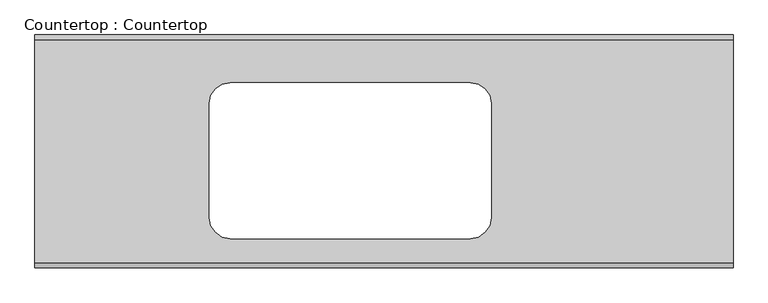
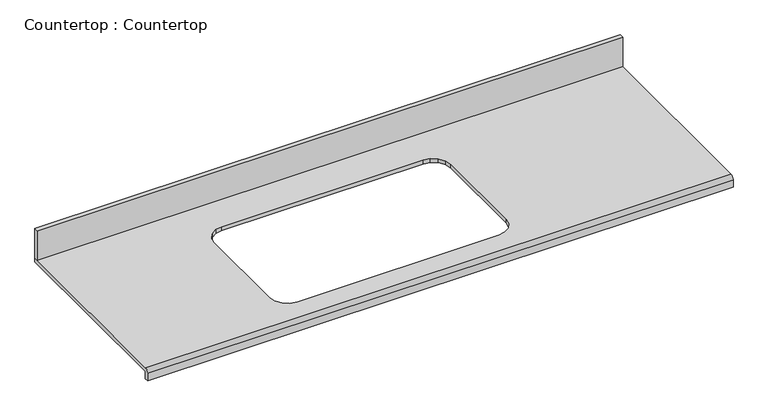
"""IFC4 building model written with IfcOpenShell, lengths in millimetres: proxy geometry, Countertop : Countertop."""

from ifc_helpers import new_model, si_unit, frame, origin, place, context, project, spatial, polyline, circle_curve, outline, extrude, source, transform, mapped, element, save
from ifc_brep_helpers import plane_surface, cylinder_surface, advanced_brep


def countertop_countertop_0f3eb7a4(model_context):
    return source(origin(), model_context, "Body", "SolidModel", [
        extrude(outline(polyline([(1905.1544083, 0.0), (1905.1544083, -12.7), (0.0, -12.7), (0.0, 0.0), (1905.1544083, 0.0)])), frame((0.0, 0.0, 863.6), z_axis=(0.0, 0.0, 1.0), x_axis=(1.0, 0.0, 0.0)), (0.0, 0.0, 1.0), 101.6),
        advanced_brep(
        [(0.0, -622.3, 863.6), (0.0, 0.0, 863.6), (0.0, 0.0, 850.9), (0.0, -622.3, 850.9), (0.0, -622.3, 825.5), (0.0, -635.0, 825.5), (0.0, -635.0, 850.9), (1905.1544083, -622.3, 863.6), (1905.1544083, -635.0, 850.9), (1905.1544083, -635.0, 825.5), (1905.1544083, -622.3, 825.5), (1905.1544083, -622.3, 850.9), (1905.1544083, 0.0, 850.9), (1905.1544083, 0.0, 863.6), (492.8013328, -146.7254885, 863.6), (511.382489, -134.3099484, 863.6), (532.6750385, -130.0745959, 863.6), (1188.2298812, -130.0745959, 863.6), (1209.5223774, -134.3099489, 863.6), (1228.1035645, -146.7254905, 863.6), (1240.5190567, -165.3066034, 863.6), (1244.7544083, -186.5991761, 863.6), (1244.7544083, -499.2540165, 863.6), (1240.5190572, -520.5465591, 863.6), (1228.1035664, -539.1277271, 863.6), (1209.5223739, -551.5432437, 863.6), (1188.2298812, -555.7785959, 863.6), (532.6750385, -555.7785959, 863.6), (511.3824925, -551.5432441, 863.6), (492.8013308, -539.127729, 863.6), (480.3857839, -520.5465625, 863.6), (476.1504591, -499.2540124, 863.6), (476.1504591, -186.5991802, 863.6), (480.3857843, -165.3066, 863.6), (511.382489, -134.3099484, 850.9), (492.8013328, -146.7254885, 850.9), (480.3857843, -165.3066, 850.9), (476.1504591, -186.5991802, 850.9), (476.1504591, -499.2540124, 850.9), (480.3857839, -520.5465625, 850.9), (492.8013308, -539.127729, 850.9), (511.3824925, -551.5432441, 850.9), (532.6750385, -555.7785959, 850.9), (1188.2298812, -555.7785959, 850.9), (1209.5223739, -551.5432437, 850.9), (1228.1035664, -539.1277271, 850.9), (1240.5190572, -520.5465591, 850.9), (1244.7544083, -499.2540165, 850.9), (1244.7544083, -186.5991761, 850.9), (1240.5190567, -165.3066034, 850.9), (1228.1035645, -146.7254905, 850.9), (1209.5223774, -134.3099489, 850.9), (1188.2298812, -130.0745959, 850.9), (532.6750385, -130.0745959, 850.9)],
        [
            (0, 1),
            (1, 2),
            (2, 3),
            (3, 4),
            (4, 5),
            (5, 6),
            (6, 0, circle_curve(frame((0.0, -622.3, 850.9), z_axis=(-1.0, 0.0, 0.0), x_axis=(0.0, 1.0, 0.0)), 12.7)),
            (7, 8, circle_curve(frame((1905.1544083, -622.3, 850.9), z_axis=(1.0, 0.0, 0.0), x_axis=(0.0, 1.0, 0.0)), 12.7)),
            (8, 9),
            (9, 10),
            (10, 11),
            (11, 12),
            (12, 13),
            (13, 7),
            (0, 7),
            (13, 1),
            (14, 15),
            (15, 16),
            (16, 17),
            (17, 18),
            (18, 19),
            (19, 20),
            (20, 21),
            (21, 22),
            (22, 23),
            (23, 24),
            (24, 25),
            (25, 26),
            (26, 27),
            (27, 28),
            (28, 29),
            (29, 30),
            (30, 31),
            (31, 32),
            (32, 33),
            (33, 14),
            (12, 2),
            (11, 3),
            (34, 35),
            (35, 36),
            (36, 37),
            (37, 38),
            (38, 39),
            (39, 40),
            (40, 41),
            (41, 42),
            (42, 43),
            (43, 44),
            (44, 45),
            (45, 46),
            (46, 47),
            (47, 48),
            (48, 49),
            (49, 50),
            (50, 51),
            (51, 52),
            (52, 53),
            (53, 34),
            (10, 4),
            (9, 5),
            (8, 6),
            (34, 15),
            (14, 35),
            (33, 36),
            (32, 37),
            (31, 38),
            (30, 39),
            (29, 40),
            (28, 41),
            (27, 42),
            (26, 43),
            (25, 44),
            (24, 45),
            (23, 46),
            (22, 47),
            (21, 48),
            (20, 49),
            (19, 50),
            (18, 51),
            (17, 52),
            (16, 53),
        ],
        [
            plane_surface(frame((0.0, 0.0, 863.6), z_axis=(-1.0, 0.0, 0.0), x_axis=(0.0, 0.0, 1.0))),
            plane_surface(frame((1905.1544083, 0.0, 863.6), z_axis=(1.0, 0.0, 0.0), x_axis=(0.0, 0.0, 1.0))),
            plane_surface(frame((0.0, -622.3, 863.6), z_axis=(0.0, 0.0, 1.0), x_axis=(1.0, 0.0, 0.0))),
            plane_surface(frame((0.0, 0.0, 863.6), z_axis=(0.0, 1.0, 0.0), x_axis=(1.0, 0.0, 0.0))),
            plane_surface(frame((0.0, 0.0, 850.9), z_axis=(0.0, 0.0, -1.0), x_axis=(1.0, 0.0, 0.0))),
            plane_surface(frame((0.0, -622.3, 850.9), z_axis=(0.0, 1.0, 0.0), x_axis=(1.0, 0.0, 0.0))),
            plane_surface(frame((0.0, -622.3, 825.5), z_axis=(0.0, 0.0, -1.0), x_axis=(1.0, 0.0, 0.0))),
            plane_surface(frame((0.0, -635.0, 825.5), z_axis=(0.0, -1.0, 0.0), x_axis=(1.0, 0.0, 0.0))),
            cylinder_surface(frame((0.0, -622.3, 850.9), z_axis=(-1.0, 0.0, 0.0), x_axis=(0.0, 1.0, 0.0)), 12.7),
            plane_surface(frame((511.382489, -134.3099484, 928.210099), z_axis=(0.5555704946525724, -0.8314694374849242, 0.0), x_axis=(0.0, 0.0, -1.0))),
            plane_surface(frame((492.8013328, -146.7254885, 928.210099), z_axis=(0.8314686464171007, -0.5555716785666045, 0.0), x_axis=(0.0, 0.0, -1.0))),
            plane_surface(frame((480.3857843, -165.3066, 928.210099), z_axis=(0.9807855650249105, -0.1950888911208609, 0.0), x_axis=(0.0, 0.0, -1.0))),
            plane_surface(frame((476.1504591, -186.5991802, 928.210099), z_axis=(1.0, 0.0, 0.0), x_axis=(0.0, 0.0, -1.0))),
            plane_surface(frame((476.1504591, -499.2540124, 928.210099), z_axis=(0.9807855162530119, 0.19508913631546243, 0.0), x_axis=(0.0, 0.0, -1.0))),
            plane_surface(frame((480.3857839, -520.5465625, 928.210099), z_axis=(0.8314694374849221, 0.5555704946525755, 0.0), x_axis=(0.0, 0.0, -1.0))),
            plane_surface(frame((492.8013308, -539.127729, 928.210099), z_axis=(0.5555696087274217, 0.8314700294409052, 0.0), x_axis=(0.0, 0.0, -1.0))),
            plane_surface(frame((511.3824925, -551.5432441, 928.210099), z_axis=(0.19509036900081717, 0.9807852710573935, 0.0), x_axis=(0.0, 0.0, -1.0))),
            plane_surface(frame((532.6750385, -555.7785959, 928.210099), z_axis=(0.0, 1.0, 0.0), x_axis=(0.0, 0.0, -1.0))),
            plane_surface(frame((1188.2298812, -555.7785959, 928.210099), z_axis=(-0.19509085939469806, 0.9807851735118339, 0.0), x_axis=(0.0, 0.0, -1.0))),
            plane_surface(frame((1209.5223739, -551.5432437, 928.210099), z_axis=(-0.5555690167719735, 0.8314704249719426, 0.0), x_axis=(0.0, 0.0, -1.0))),
            plane_surface(frame((1228.1035664, -539.1277271, 928.210099), z_axis=(-0.8314706213967956, 0.555568722800363, 0.0), x_axis=(0.0, 0.0, -1.0))),
            plane_surface(frame((1240.5190572, -520.5465591, 928.210099), z_axis=(-0.9807852710574041, 0.1950903690007643, 0.0), x_axis=(0.0, 0.0, -1.0))),
            plane_surface(frame((1244.7544083, -499.2540165, 928.210099), z_axis=(-1.0, 0.0, 0.0), x_axis=(0.0, 0.0, -1.0))),
            plane_surface(frame((1244.7544083, -186.5991761, 928.210099), z_axis=(-0.9807853198298971, -0.19509012380478497, 0.0), x_axis=(0.0, 0.0, -1.0))),
            plane_surface(frame((1240.5190567, -165.3066034, 928.210099), z_axis=(-0.8314698303328858, -0.5555699067139996, 0.0), x_axis=(0.0, 0.0, -1.0))),
            plane_surface(frame((1228.1035645, -146.7254905, 928.210099), z_axis=(-0.555569902697024, -0.8314698330169408, 0.0), x_axis=(0.0, 0.0, -1.0))),
            plane_surface(frame((1209.5223774, -134.3099489, 928.210099), z_axis=(-0.1950908593946922, -0.9807851735118351, 0.0), x_axis=(0.0, 0.0, -1.0))),
            plane_surface(frame((1188.2298812, -130.0745959, 928.210099), z_axis=(0.0, -1.0, 0.0), x_axis=(0.0, 0.0, -1.0))),
            plane_surface(frame((532.6750385, -130.0745959, 928.210099), z_axis=(0.19509036900082258, -0.9807852710573925, 0.0), x_axis=(0.0, 0.0, -1.0))),
        ],
        [
            (0, [[1, 2, 3, 4, 5, 6, 7]]),
            (1, [[8, 9, 10, 11, 12, 13, 14]]),
            (2, [[-1, 15, -14, 16], [17, 18, 19, 20, 21, 22, 23, 24, 25, 26, 27, 28, 29, 30, 31, 32, 33, 34, 35, 36]]),
            (3, [[-2, -16, -13, 37]]),
            (4, [[-3, -37, -12, 38], [39, 40, 41, 42, 43, 44, 45, 46, 47, 48, 49, 50, 51, 52, 53, 54, 55, 56, 57, 58]]),
            (5, [[-4, -38, -11, 59]]),
            (6, [[-5, -59, -10, 60]]),
            (7, [[-6, -60, -9, 61]]),
            (8, [[-7, -61, -8, -15]]),
            (9, [[62, -17, 63, -39]]),
            (10, [[-63, -36, 64, -40]]),
            (11, [[-64, -35, 65, -41]]),
            (12, [[-65, -34, 66, -42]]),
            (13, [[-66, -33, 67, -43]]),
            (14, [[-67, -32, 68, -44]]),
            (15, [[-68, -31, 69, -45]]),
            (16, [[-69, -30, 70, -46]]),
            (17, [[-70, -29, 71, -47]]),
            (18, [[-71, -28, 72, -48]]),
            (19, [[-72, -27, 73, -49]]),
            (20, [[-73, -26, 74, -50]]),
            (21, [[-74, -25, 75, -51]]),
            (22, [[-75, -24, 76, -52]]),
            (23, [[-76, -23, 77, -53]]),
            (24, [[-77, -22, 78, -54]]),
            (25, [[-78, -21, 79, -55]]),
            (26, [[-79, -20, 80, -56]]),
            (27, [[81, -57, -80, -19]]),
            (28, [[-62, -58, -81, -18]]),
        ],
    ),
    ])


if __name__ == "__main__":
    model = new_model("IFC4")
    model_context = context("Model", 3, world=origin())
    ifc_project = project(units=[si_unit("LENGTHUNIT", "METRE", prefix="MILLI")], contexts=[model_context])
    site = spatial("IfcSite", under=ifc_project)
    building = spatial("IfcBuilding", under=site)
    placement = place(None, origin())
    countertop_countertop_shape = countertop_countertop_0f3eb7a4(model_context)
    element("IfcBuildingElementProxy", 1, Name="Countertop : Countertop", ObjectType="Countertop : Countertop", at=placement, inside=building, context=model_context, shape_type="MappedRepresentation", body=[
        mapped(countertop_countertop_shape, transform((0.0, 0.0, 0.0), x_axis=(1.0, 0.0, 0.0), y_axis=(0.0, 1.0, 0.0), z_axis=(0.0, 0.0, 1.0))),
    ])
    save(model, "model.ifc")
